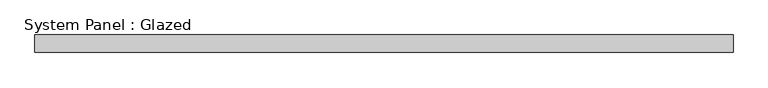
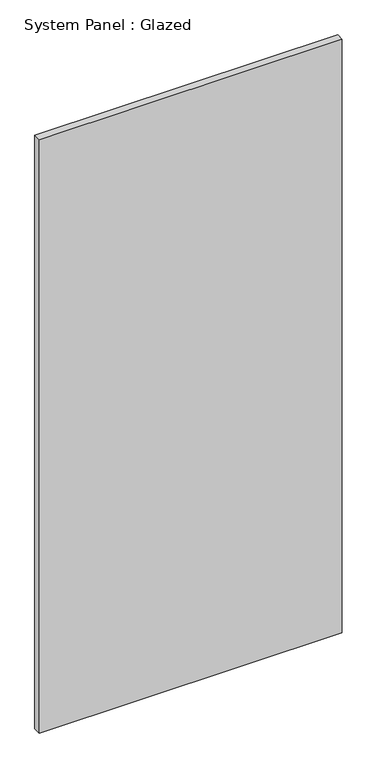
"""IFC4 building model written with IfcOpenShell, lengths in millimetres: plate geometry, System Panel : Glazed."""

from ifc_helpers import new_model, si_unit, origin, origin_with_axes, place, context, project, spatial, polyline, outline, extrude, source, transform, mapped, element, save


def system_panel_glazed_3554767d(model_context):
    return source(origin(), model_context, "Body", "SweptSolid", [
        extrude(outline(polyline([(500.0000002, 24.5), (-500.0000002, 24.5), (-500.0000002, 49.5), (500.0000002, 49.5), (500.0000002, 24.5)])), origin_with_axes(), (0.0, 0.0, 1.0), 2070.0),
    ])


if __name__ == "__main__":
    model = new_model("IFC4")
    model_context = context("Model", 3, world=origin())
    ifc_project = project(units=[si_unit("LENGTHUNIT", "METRE", prefix="MILLI")], contexts=[model_context])
    site = spatial("IfcSite", under=ifc_project)
    building = spatial("IfcBuilding", under=site)
    placement = place(None, origin())
    system_panel_glazed_shape = system_panel_glazed_3554767d(model_context)
    element("IfcPlate", 1, ObjectType="System Panel : Glazed", at=placement, inside=building, context=model_context, shape_type="MappedRepresentation", body=[
        mapped(system_panel_glazed_shape, transform((0.0, 0.0, 0.0), x_axis=(1.0, 0.0, 0.0), y_axis=(0.0, 1.0, 0.0), z_axis=(0.0, 0.0, 1.0))),
    ])
    save(model, "model.ifc")
